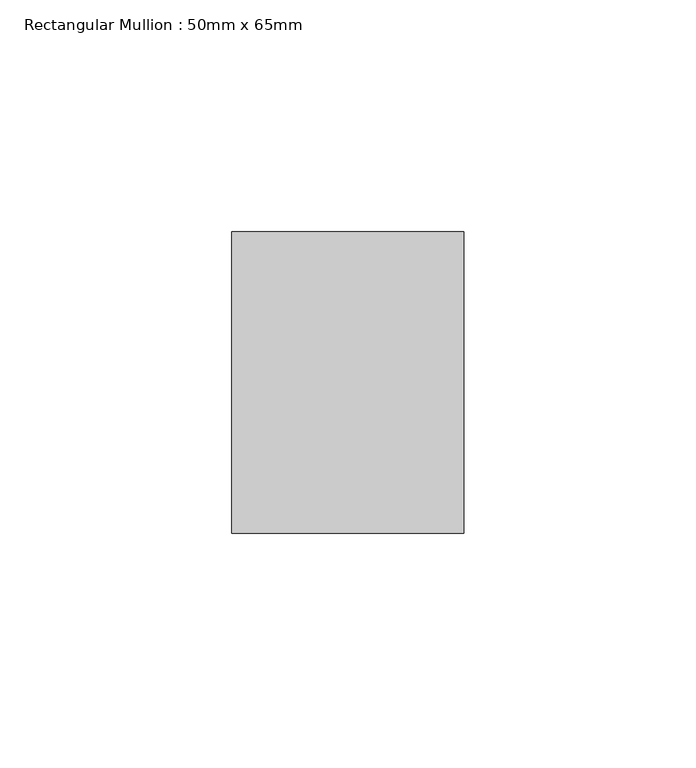
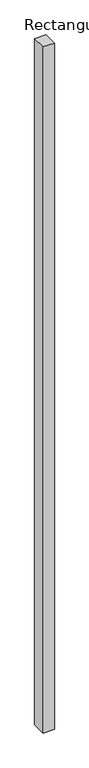
"""IFC4 building model written with IfcOpenShell, lengths in millimetres: member geometry, Rectangular Mullion : 50mm x 65mm."""

from ifc_helpers import new_model, si_unit, frame, origin, place, context, project, spatial, polyline, outline, extrude, source, transform, mapped, element, save


def rectangular_mullion_50mm_x_65mm_3df5042d(model_context):
    return source(origin(), model_context, "Body", "SweptSolid", [
        extrude(outline(polyline([(25.0, 32.5), (25.0, -32.5), (-25.0, -32.5), (-25.0, 32.5), (25.0, 32.5)])), frame((0.0, 0.0, -3235.2661781), z_axis=(0.0, 0.0, 1.0), x_axis=(1.0, 0.0, 0.0)), (0.0, 0.0, 1.0), 3235.2661781),
    ])


if __name__ == "__main__":
    model = new_model("IFC4")
    model_context = context("Model", 3, world=origin())
    ifc_project = project(units=[si_unit("LENGTHUNIT", "METRE", prefix="MILLI")], contexts=[model_context])
    site = spatial("IfcSite", under=ifc_project)
    building = spatial("IfcBuilding", under=site)
    placement = place(None, origin())
    rectangular_mullion_50mm_x_65mm_shape = rectangular_mullion_50mm_x_65mm_3df5042d(model_context)
    element("IfcMember", 1, ObjectType="Rectangular Mullion : 50mm x 65mm", at=placement, inside=building, context=model_context, shape_type="MappedRepresentation", body=[
        mapped(rectangular_mullion_50mm_x_65mm_shape, transform((0.0, 0.0, 0.0), x_axis=(1.0, 0.0, 0.0), y_axis=(0.0, 1.0, 0.0), z_axis=(0.0, 0.0, 1.0))),
    ])
    save(model, "model.ifc")
